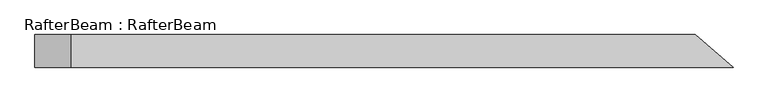
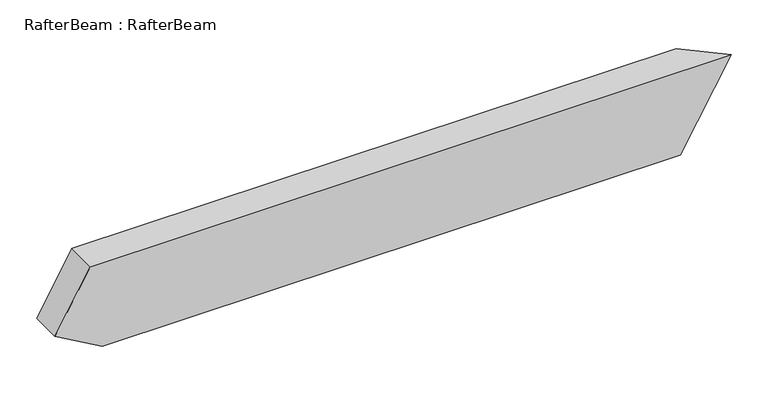
"""IFC4 building model written with IfcOpenShell, lengths in millimetres: beam geometry, RafterBeam : RafterBeam."""

from ifc_helpers import new_model, si_unit, origin, place, context, project, spatial, faceted_brep, source, transform, mapped, element, save


def rafterbeam_rafterbeam_d7d1d8f7(model_context):
    return source(origin(), model_context, "Body", "Brep", [
        faceted_brep([(442.439104, 25.0, 70.0), (-512.3983639, 25.0, 70.0), (-512.3983639, -25.0, 70.0), (500.7079657, -25.0, 70.0), (419.878928, -25.0, -70.0), (-493.2274016, -25.0, -70.0), (-493.2274016, 25.0, -70.0), (361.6100664, 25.0, -70.0), (-568.2274016, -25.0, -26.6987298), (-568.2274016, 25.0, -26.6987298)], [[[0, 1, 2, 3]], [[4, 5, 6, 7]], [[3, 2, 8, 5, 4]], [[7, 6, 9, 1, 0]], [[0, 3, 4, 7]], [[1, 9, 8, 2]], [[5, 8, 9, 6]]]),
    ])


if __name__ == "__main__":
    model = new_model("IFC4")
    model_context = context("Model", 3, world=origin())
    ifc_project = project(units=[si_unit("LENGTHUNIT", "METRE", prefix="MILLI")], contexts=[model_context])
    site = spatial("IfcSite", under=ifc_project)
    building = spatial("IfcBuilding", under=site)
    placement = place(None, origin())
    rafterbeam_rafterbeam_shape = rafterbeam_rafterbeam_d7d1d8f7(model_context)
    element("IfcBeam", 1, ObjectType="RafterBeam : RafterBeam", at=placement, inside=building, context=model_context, shape_type="MappedRepresentation", body=[
        mapped(rafterbeam_rafterbeam_shape, transform((0.0, 0.0, 0.0), x_axis=(1.0, 0.0, 0.0), y_axis=(0.0, 1.0, 0.0), z_axis=(0.0, 0.0, 1.0))),
    ])
    save(model, "model.ifc")
